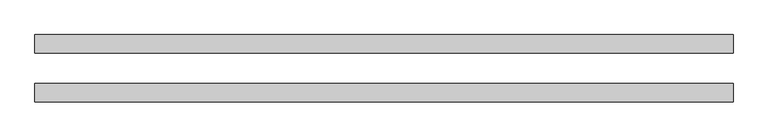
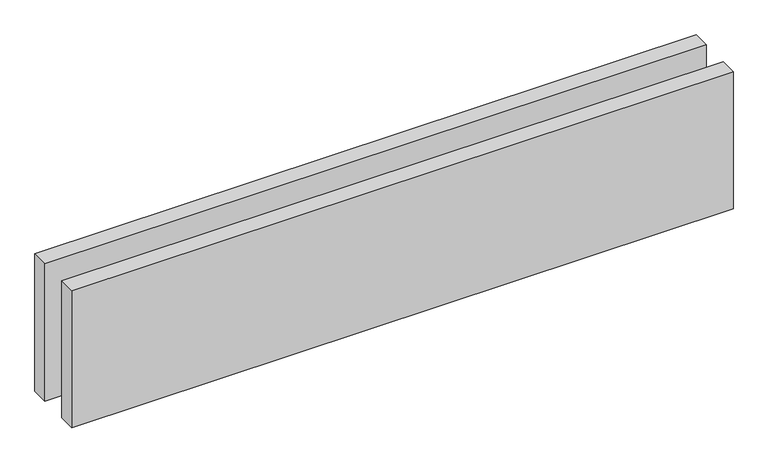
"""IFC4 building model written with IfcOpenShell, lengths in millimetres: proxy geometry."""

import ifcopenshell
import ifcopenshell.guid

model = None  # the IFC model being written
_history = None  # IfcOwnerHistory: only IFC2X3 demands one
_inside = {}  # id of a spatial element -> (the spatial element, [elements in it])
_under = {}  # id of a project, library or spatial element -> (it, [spatial elements below it])
_declared = {}  # id of a project -> (the project, [libraries it declares])
_typed = {}  # id of a type object -> (the type object, [elements of that type])
_made_of = {}  # id of a material, layer set ... -> (it, [elements and type objects made of it])


def new_model(schema):
    """Start an empty IFC model of exactly this schema.

    Asked for "IFC4X3", IfcOpenShell would pick the latest addendum, in which some entities
    have other attributes; the version numbers below select the first issue.
    IFC2X3 requires an IfcOwnerHistory on every rooted entity: one is made here for all.
    """
    global model, _history
    if schema == "IFC4X3":
        model = ifcopenshell.file(schema_version=(4, 3, 0, 0))
    else:
        model = ifcopenshell.file(schema=schema)
    _inside.clear()
    _under.clear()
    _declared.clear()
    _typed.clear()
    _made_of.clear()
    _history = None
    if model.schema == "IFC2X3":
        org = make("IfcOrganization", Name="unknown")
        user = make(
            "IfcPersonAndOrganization",
            ThePerson=make("IfcPerson", FamilyName="unknown"),
            TheOrganization=org,
        )
        app = make(
            "IfcApplication",
            ApplicationDeveloper=org,
            Version="unknown",
            ApplicationFullName="unknown",
            ApplicationIdentifier="unknown",
        )
        _history = make(
            "IfcOwnerHistory",
            OwningUser=user,
            OwningApplication=app,
            ChangeAction="ADDED",
            CreationDate=0,
        )
    return model


def make(cls, **values):
    """One entity of the class cls with the attributes given. An attribute that is None is left unset."""
    return model.create_entity(
        cls, **{name: value for name, value in values.items() if value is not None}
    )


def rooted(cls, **values):
    """An entity with a GlobalId (a new one), such as an element, a storey or a relation."""
    return make(cls, GlobalId=ifcopenshell.guid.new(), OwnerHistory=_history, **values)


def si_unit(unit_type, name, prefix=None):
    """IfcSIUnit, for example si_unit("LENGTHUNIT", "METRE", prefix="MILLI")."""
    return make("IfcSIUnit", UnitType=unit_type, Prefix=prefix, Name=name)


def assignment(units):
    """IfcUnitAssignment: the units of a project."""
    return None if units is None else make("IfcUnitAssignment", Units=units)


def point(xyz):
    """IfcCartesianPoint."""
    return None if xyz is None else make("IfcCartesianPoint", Coordinates=xyz)


def direction(xyz):
    """IfcDirection."""
    return None if xyz is None else make("IfcDirection", DirectionRatios=xyz)


def frame(location, z_axis=None, x_axis=None):
    """IfcAxis2Placement3D, a coordinate frame: its origin and axes. An axis left out is left unset."""
    return make(
        "IfcAxis2Placement3D",
        Location=point(location),
        Axis=direction(z_axis),
        RefDirection=direction(x_axis),
    )


def origin():
    """The frame at (0, 0, 0) with its axes left unset."""
    return frame((0.0, 0.0, 0.0))


def origin_with_axes():
    """The frame at (0, 0, 0) with the z axis (0, 0, 1) and the x axis (1, 0, 0) written out."""
    return frame((0.0, 0.0, 0.0), z_axis=(0.0, 0.0, 1.0), x_axis=(1.0, 0.0, 0.0))


def place(relative_to, where):
    """IfcLocalPlacement: puts the frame where relative to a parent placement (None: the world)."""
    return make(
        "IfcLocalPlacement", PlacementRelTo=relative_to, RelativePlacement=where
    )


def context(
    kind, dimensions, precision=None, world=None, true_north=None, identifier=None
):
    """IfcGeometricRepresentationContext, for example the 3D "Model" context."""
    return make(
        "IfcGeometricRepresentationContext",
        ContextIdentifier=identifier,
        ContextType=kind,
        CoordinateSpaceDimension=dimensions,
        Precision=precision,
        WorldCoordinateSystem=world,
        TrueNorth=true_north,
    )


def project(units=None, contexts=None):
    """IfcProject with its units and contexts."""
    return rooted(
        "IfcProject",
        Name="project",
        RepresentationContexts=contexts,
        UnitsInContext=assignment(units),
    )


def spatial(cls, under=None, at=None, **own):
    """A site, building, storey or space (cls), placed at a placement, below another one or the project."""
    s = rooted(cls, ObjectPlacement=at, **own)
    if under is not None:
        _under.setdefault(under.id(), (under, []))[1].append(s)
    return s


def polyline(points):
    """IfcPolyline through the points."""
    return make("IfcPolyline", Points=[point(p) for p in points])


def outline(outer, holes=None, kind="AREA"):
    """IfcArbitraryClosedProfileDef: a profile drawn as a closed curve; with holes, ...WithVoids."""
    if holes is None:
        return make("IfcArbitraryClosedProfileDef", ProfileType=kind, OuterCurve=outer)
    return make(
        "IfcArbitraryProfileDefWithVoids",
        ProfileType=kind,
        OuterCurve=outer,
        InnerCurves=holes,
    )


def extrude(swept, where, along, depth):
    """IfcExtrudedAreaSolid: the profile swept, set in the frame where, extruded along a direction by depth."""
    return make(
        "IfcExtrudedAreaSolid",
        SweptArea=swept,
        Position=where,
        ExtrudedDirection=direction(along),
        Depth=depth,
    )


def shape(context_of_items, identifier, shape_type, items):
    """IfcShapeRepresentation: the items that make up one representation, for example the "Body"."""
    return make(
        "IfcShapeRepresentation",
        ContextOfItems=context_of_items,
        RepresentationIdentifier=identifier,
        RepresentationType=shape_type,
        Items=items,
    )


def source(mapping_origin, context_of_items, identifier, shape_type, items):
    """IfcRepresentationMap: a shape defined once, which mapped items show again and again."""
    return make(
        "IfcRepresentationMap",
        MappingOrigin=mapping_origin,
        MappedRepresentation=shape(context_of_items, identifier, shape_type, items),
    )


def transform(
    local_origin,
    x_axis=None,
    y_axis=None,
    z_axis=None,
    scale=None,
    scale2=None,
    scale3=None,
    uniform=True,
):
    """IfcCartesianTransformationOperator3D, or its non-uniform kind. x_axis, y_axis, z_axis: its Axis1, 2, 3."""
    if uniform:
        return make(
            "IfcCartesianTransformationOperator3D",
            Axis1=direction(x_axis),
            Axis2=direction(y_axis),
            LocalOrigin=point(local_origin),
            Scale=scale,
            Axis3=direction(z_axis),
        )
    return make(
        "IfcCartesianTransformationOperator3DnonUniform",
        Axis1=direction(x_axis),
        Axis2=direction(y_axis),
        LocalOrigin=point(local_origin),
        Scale=scale,
        Axis3=direction(z_axis),
        Scale2=scale2,
        Scale3=scale3,
    )


def mapped(mapping_source, mapping_target):
    """IfcMappedItem: shows the shape of a source again, moved by a transform."""
    return make(
        "IfcMappedItem", MappingSource=mapping_source, MappingTarget=mapping_target
    )


def made_of(thing, what):
    """Note that an element or type object is made of a material, layer set ...; save() writes the relation."""
    if what is not None:
        _made_of.setdefault(what.id(), (what, []))[1].append(thing)
    return thing


def element(
    cls,
    number,
    at=None,
    inside=None,
    cuts=None,
    type_object=None,
    material=None,
    context=None,
    identifier="Body",
    shape_type=None,
    held_by="IfcProductDefinitionShape",
    body=None,
    shapes=None,
    **own,
):
    """One element of the class cls, such as IfcWall. Its Tag is "e" and its number.

    at: its placement. inside: the storey or other place that contains it. cuts: it is an
    opening in that element (IfcRelVoidsElement). A single representation is given by context,
    identifier, shape_type and body (its items); several are given by shapes. held_by: the class
    of the entity that holds the representations. save() writes the other relations.
    """
    e = rooted(cls, Tag="e%d" % number, ObjectPlacement=at, **own)
    if body is not None:
        shapes = [shape(context, identifier, shape_type, body)]
    if shapes is not None:
        e.Representation = make(held_by, Representations=shapes)
    if inside is not None:
        _inside.setdefault(inside.id(), (inside, []))[1].append(e)
    if cuts is not None:
        rooted(
            "IfcRelVoidsElement", RelatingBuildingElement=cuts, RelatedOpeningElement=e
        )
    if type_object is not None:
        _typed.setdefault(type_object.id(), (type_object, []))[1].append(e)
    return made_of(e, material)


def aggregate(whole, parts):
    """IfcRelAggregates: a whole, such as a stair, and the parts it consists of."""
    return rooted("IfcRelAggregates", RelatingObject=whole, RelatedObjects=parts)


def save(model, path):
    """Write the relations noted so far, then the file.

    IfcRelAggregates (storeys below a building ...), IfcRelContainedInSpatialStructure (elements
    in a storey), IfcRelDefinesByType, IfcRelAssociatesMaterial and IfcRelDeclares: one each for
    every whole, place, type object, material and project.
    """
    for whole, parts in _under.values():
        aggregate(whole, parts)
    for where, things in _inside.values():
        rooted(
            "IfcRelContainedInSpatialStructure",
            RelatedElements=things,
            RelatingStructure=where,
        )
    for kind, things in _typed.values():
        rooted("IfcRelDefinesByType", RelatedObjects=things, RelatingType=kind)
    for what, things in _made_of.values():
        rooted("IfcRelAssociatesMaterial", RelatedObjects=things, RelatingMaterial=what)
    for by, libraries in _declared.values():
        rooted("IfcRelDeclares", RelatingContext=by, RelatedDefinitions=libraries)
    model.write(path)


def generic_models_003ffd69(model_context):
    return source(origin(), model_context, "Body", "SweptSolid", [
        extrude(outline(polyline([(1140.0, -25.0), (1140.0, -55.0), (0.0, -55.0), (0.0, -25.0), (1140.0, -25.0)])), origin_with_axes(), (0.0, 0.0, 1.0), 250.0),
        extrude(outline(polyline([(1140.0, 55.0), (1140.0, 25.0), (0.0, 25.0), (0.0, 55.0), (1140.0, 55.0)])), origin_with_axes(), (0.0, 0.0, 1.0), 250.0),
    ])


if __name__ == "__main__":
    model = new_model("IFC4")
    model_context = context("Model", 3, world=origin())
    ifc_project = project(units=[si_unit("LENGTHUNIT", "METRE", prefix="MILLI")], contexts=[model_context])
    site = spatial("IfcSite", under=ifc_project)
    building = spatial("IfcBuilding", under=site)
    placement = place(None, origin())
    generic_models_shape = generic_models_003ffd69(model_context)
    element("IfcBuildingElementProxy", 1, Name="Generic Models", at=placement, inside=building, context=model_context, shape_type="MappedRepresentation", body=[
        mapped(generic_models_shape, transform((0.0, 0.0, 0.0), x_axis=(1.0, 0.0, 0.0), y_axis=(0.0, 1.0, 0.0), z_axis=(0.0, 0.0, 1.0))),
    ])
    save(model, "model.ifc")
